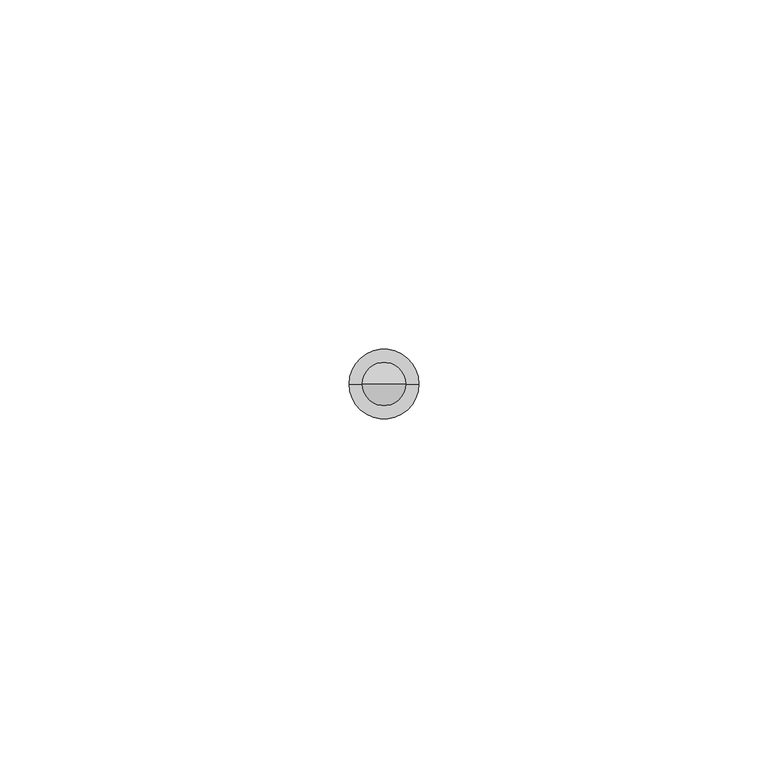
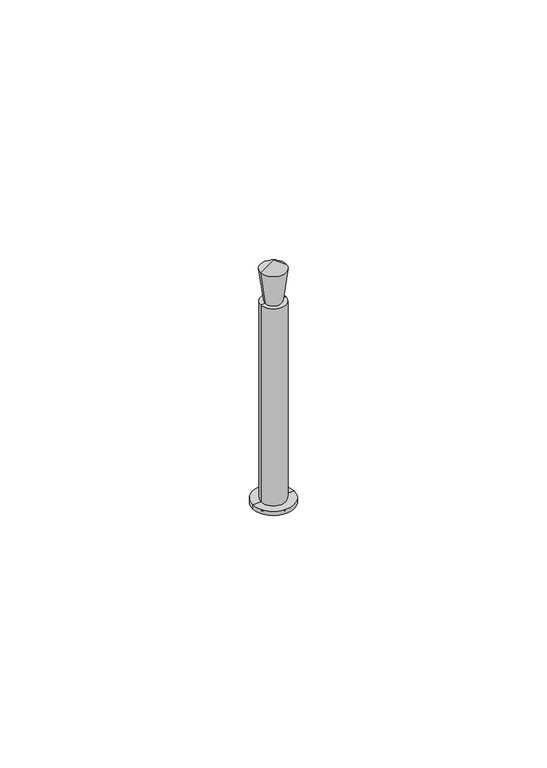
"""IFC4 building model written with IfcOpenShell, lengths in millimetres: proxy geometry."""

from ifc_helpers import new_model, si_unit, point, frame, origin, origin_with_axes, place, context, project, spatial, polyline, circle_curve, ellipse_curve, trimmed, source, transform, mapped, element, save
from ifc_brep_helpers import plane_surface, cylinder_surface, revolved_surface, advanced_brep


def generic_models_b2d7e38e(model_context):
    return source(origin(), model_context, "Body", "AdvancedBrep", [
        advanced_brep(
        [(-2.0, 0.0, 50.0), (2.0, 0.0, 50.0), (3.0, 0.0, 50.0), (-3.0, 0.0, 50.0), (-3.087799, 0.0, 58.1812406), (3.087799, 0.0, 58.1812406), (0.0, 0.0, 60.4164519), (-5.0, 0.0, -1.0), (5.0, 0.0, -1.0), (4.1152707, 0.0, -1.0), (-4.1152707, 0.0, -1.0), (-5.0, 0.0, 0.0), (5.0, 0.0, 0.0), (-3.0, 0.0, 0.0), (3.0, 0.0, 0.0), (0.0, 0.0, -2.7046009)],
        [
            (0, 1, circle_curve(frame((0.0, 0.0, 50.0), z_axis=(0.0, 0.0, -1.0), x_axis=(1.0, 0.0, 0.0)), 2.0)),
            (1, 2),
            (2, 3, circle_curve(frame((0.0, 0.0, 50.0), z_axis=(0.0, 0.0, 1.0), x_axis=(1.0, 0.0, 0.0)), 3.0)),
            (3, 0),
            (1, 0, circle_curve(frame((0.0, 0.0, 50.0), z_axis=(0.0, 0.0, -1.0), x_axis=(1.0, 0.0, 0.0)), 2.0)),
            (3, 2, circle_curve(frame((0.0, 0.0, 50.0), z_axis=(0.0, 0.0, 1.0), x_axis=(1.0, 0.0, 0.0)), 3.0)),
            (4, 5, circle_curve(frame((0.0, 0.0, 58.1812406), z_axis=(0.0, 0.0, -1.0), x_axis=(1.0, 0.0, 0.0)), 3.087799)),
            (5, 1),
            (0, 4),
            (5, 4, circle_curve(frame((0.0, 0.0, 58.1812406), z_axis=(0.0, 0.0, -1.0), x_axis=(1.0, 0.0, 0.0)), 3.087799)),
            (6, 5),
            (4, 6),
            (7, 8, circle_curve(frame((0.0, 0.0, -1.0), z_axis=(0.0, 0.0, -1.0), x_axis=(1.0, 0.0, 0.0)), 5.0)),
            (8, 9),
            (9, 10, circle_curve(frame((0.0, 0.0, -1.0), z_axis=(0.0, 0.0, 1.0), x_axis=(1.0, 0.0, 0.0)), 4.1152707)),
            (10, 7),
            (8, 7, circle_curve(frame((0.0, 0.0, -1.0), z_axis=(0.0, 0.0, -1.0), x_axis=(1.0, 0.0, 0.0)), 5.0)),
            (10, 9, circle_curve(frame((0.0, 0.0, -1.0), z_axis=(0.0, 0.0, 1.0), x_axis=(1.0, 0.0, 0.0)), 4.1152707)),
            (11, 12, circle_curve(frame((0.0, 0.0, 0.0), z_axis=(0.0, 0.0, -1.0), x_axis=(1.0, 0.0, 0.0)), 5.0)),
            (12, 8),
            (7, 11),
            (12, 11, circle_curve(frame((0.0, 0.0, 0.0), z_axis=(0.0, 0.0, -1.0), x_axis=(1.0, 0.0, 0.0)), 5.0)),
            (13, 14, circle_curve(frame((0.0, 0.0, 0.0), z_axis=(0.0, 0.0, -1.0), x_axis=(1.0, 0.0, 0.0)), 3.0)),
            (14, 12),
            (11, 13),
            (14, 13, circle_curve(frame((0.0, 0.0, 0.0), z_axis=(0.0, 0.0, -1.0), x_axis=(1.0, 0.0, 0.0)), 3.0)),
            (2, 14),
            (13, 3),
            (9, 15, circle_curve(frame((0.0, 0.0, 3.1152707), z_axis=(0.0, 1.0, 0.0), x_axis=(1.0, 0.0, 0.0)), 5.8198716)),
            (15, 10, circle_curve(frame((0.0, 0.0, 3.1152707), z_axis=(0.0, 1.0, 0.0), x_axis=(-1.0, 0.0, 0.0)), 5.8198716)),
        ],
        [
            plane_surface(frame((0.0, 0.0, 50.0), z_axis=(0.0, 0.0, 1.0), x_axis=(1.0, 0.0, 0.0))),
            revolved_surface(polyline([(2.0, 0.0, 50.0), (3.087799, 0.0, 58.1812406)]), (0.0, 0.0, 1000.0), (0.0, 0.0, 1.0)),
            revolved_surface(polyline([(3.087799, 0.0, 58.1812406), (0.0, 0.0, 60.4164519)]), (0.0, 0.0, 1000.0), (0.0, 0.0, 1.0)),
            plane_surface(frame((0.0, 0.0, -1.0), z_axis=(0.0, 0.0, -1.0), x_axis=(1.0, 0.0, 0.0))),
            cylinder_surface(frame((0.0, 0.0, 1000.0), z_axis=(0.0, 0.0, 1.0), x_axis=(1.0, 0.0, 0.0)), 5.0),
            plane_surface(origin_with_axes()),
            cylinder_surface(frame((0.0, 0.0, 1000.0), z_axis=(0.0, 0.0, 1.0), x_axis=(1.0, 0.0, 0.0)), 3.0),
            revolved_surface(trimmed(ellipse_curve(frame((0.0, 0.0, 3.1152707), z_axis=(0.0, -1.0, 0.0), x_axis=(1.0, 0.0, 0.0)), 5.8198716, 5.8198716), [point((0.0, 0.0, -2.7046009))], [point((4.1152707, 0.0, -1.0))], True, "CARTESIAN"), (0.0, 0.0, 1000.0), (0.0, 0.0, 1.0)),
        ],
        [
            (0, [[1, 2, 3, 4]]),
            (0, [[5, -4, 6, -2]]),
            (1, [[7, 8, -1, 9]]),
            (1, [[10, -9, -5, -8]]),
            (2, [[11, -7, 12]]),
            (2, [[-12, -10, -11]]),
            (3, [[13, 14, 15, 16]]),
            (3, [[17, -16, 18, -14]]),
            (4, [[19, 20, -13, 21]]),
            (4, [[22, -21, -17, -20]]),
            (5, [[23, 24, -19, 25]]),
            (5, [[26, -25, -22, -24]]),
            (6, [[-3, 27, -23, 28]]),
            (6, [[-6, -28, -26, -27]]),
            (7, [[-15, 29, 30]]),
            (7, [[-18, -30, -29]]),
        ],
    ),
    ])


if __name__ == "__main__":
    model = new_model("IFC4")
    model_context = context("Model", 3, world=origin())
    ifc_project = project(units=[si_unit("LENGTHUNIT", "METRE", prefix="MILLI")], contexts=[model_context])
    site = spatial("IfcSite", under=ifc_project)
    building = spatial("IfcBuilding", under=site)
    placement = place(None, origin())
    generic_models_shape = generic_models_b2d7e38e(model_context)
    element("IfcBuildingElementProxy", 1, Name="Generic Models", at=placement, inside=building, context=model_context, shape_type="MappedRepresentation", body=[
        mapped(generic_models_shape, transform((0.0, 0.0, 0.0), x_axis=(1.0, 0.0, 0.0), y_axis=(0.0, 1.0, 0.0), z_axis=(0.0, 0.0, 1.0))),
    ])
    save(model, "model.ifc")
